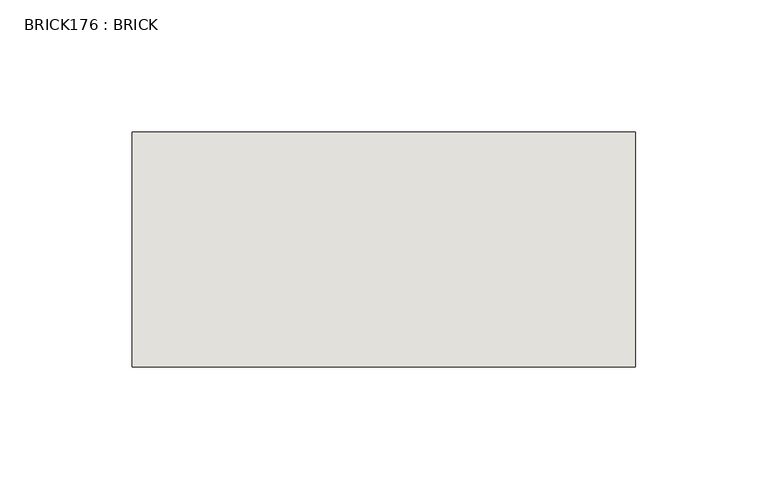
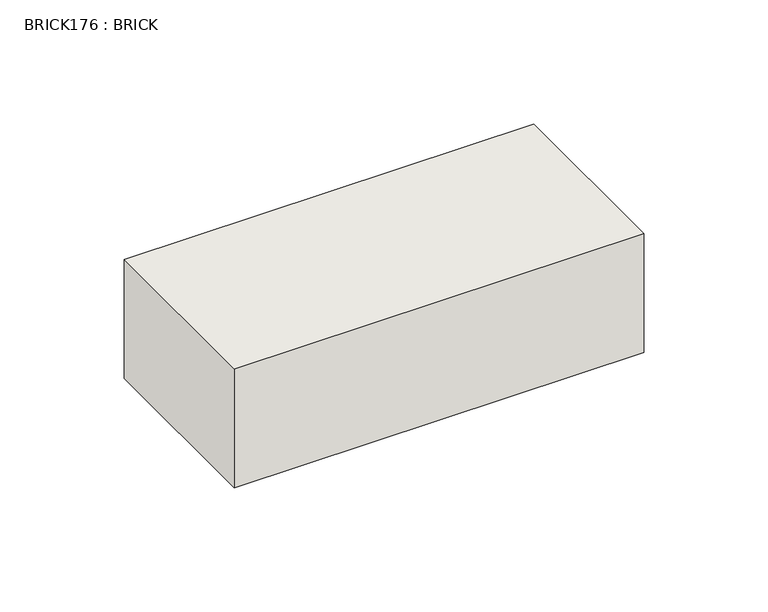
"""IFC4 building model written with IfcOpenShell, lengths in millimetres: wall geometry, BRICK176 : BRICK."""

from ifc_helpers import new_model, si_unit, frame, origin, place, context, project, spatial, polyline, outline, extrude, source, transform, mapped, element, save


def brick176_brick_f225e0e5(model_context):
    return source(origin(), model_context, "Body", "SweptSolid", [
        extrude(outline(polyline([(44.0683761, 3062.3923312), (234.5683761, 3062.3923312), (234.5683761, 2973.4923312), (44.0683761, 2973.4923312), (44.0683761, 3062.3923312)])), frame((0.0, 0.0, 493.4148438), z_axis=(0.0, 0.0, 1.0), x_axis=(1.0, 0.0, 0.0)), (0.0, 0.0, 1.0), 58.4398438),
    ])


if __name__ == "__main__":
    model = new_model("IFC4")
    model_context = context("Model", 3, world=origin())
    ifc_project = project(units=[si_unit("LENGTHUNIT", "METRE", prefix="MILLI")], contexts=[model_context])
    site = spatial("IfcSite", under=ifc_project)
    building = spatial("IfcBuilding", under=site)
    placement = place(None, origin())
    brick176_brick_shape = brick176_brick_f225e0e5(model_context)
    element("IfcWall", 1, ObjectType="BRICK176 : BRICK", at=placement, inside=building, context=model_context, shape_type="MappedRepresentation", body=[
        mapped(brick176_brick_shape, transform((0.0, 0.0, 0.0), x_axis=(1.0, 0.0, 0.0), y_axis=(0.0, 1.0, 0.0), z_axis=(0.0, 0.0, 1.0))),
    ])
    save(model, "model.ifc")
